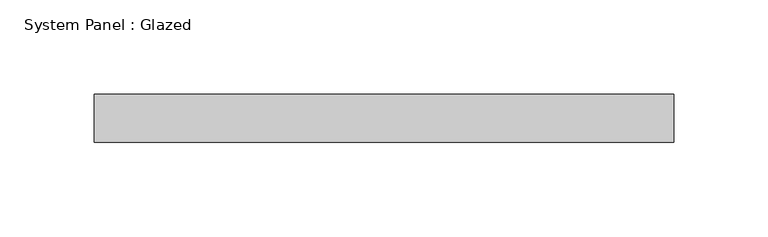
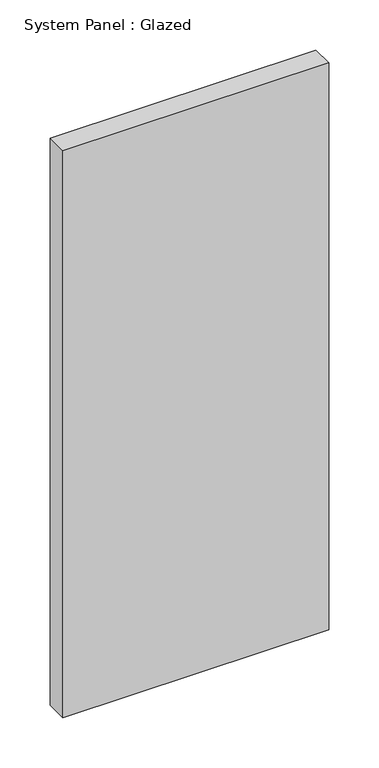
"""IFC4 building model written with IfcOpenShell, lengths in millimetres: plate geometry, System Panel : Glazed."""

from ifc_helpers import new_model, si_unit, origin, origin_with_axes, place, context, project, spatial, polyline, outline, extrude, source, transform, mapped, element, save


def system_panel_glazed_25bf8ade(model_context):
    return source(origin(), model_context, "Body", "SweptSolid", [
        extrude(outline(polyline([(153.4583333, -12.7), (-153.4583333, -12.7), (-153.4583333, 12.7), (153.4583333, 12.7), (153.4583333, -12.7)])), origin_with_axes(), (0.0, 0.0, 1.0), 692.15),
    ])


if __name__ == "__main__":
    model = new_model("IFC4")
    model_context = context("Model", 3, world=origin())
    ifc_project = project(units=[si_unit("LENGTHUNIT", "METRE", prefix="MILLI")], contexts=[model_context])
    site = spatial("IfcSite", under=ifc_project)
    building = spatial("IfcBuilding", under=site)
    placement = place(None, origin())
    system_panel_glazed_shape = system_panel_glazed_25bf8ade(model_context)
    element("IfcPlate", 1, ObjectType="System Panel : Glazed", at=placement, inside=building, context=model_context, shape_type="MappedRepresentation", body=[
        mapped(system_panel_glazed_shape, transform((0.0, 0.0, 0.0), x_axis=(1.0, 0.0, 0.0), y_axis=(0.0, 1.0, 0.0), z_axis=(0.0, 0.0, 1.0))),
    ])
    save(model, "model.ifc")
